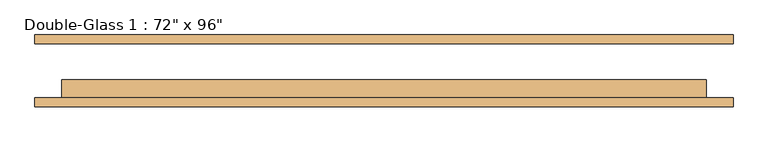
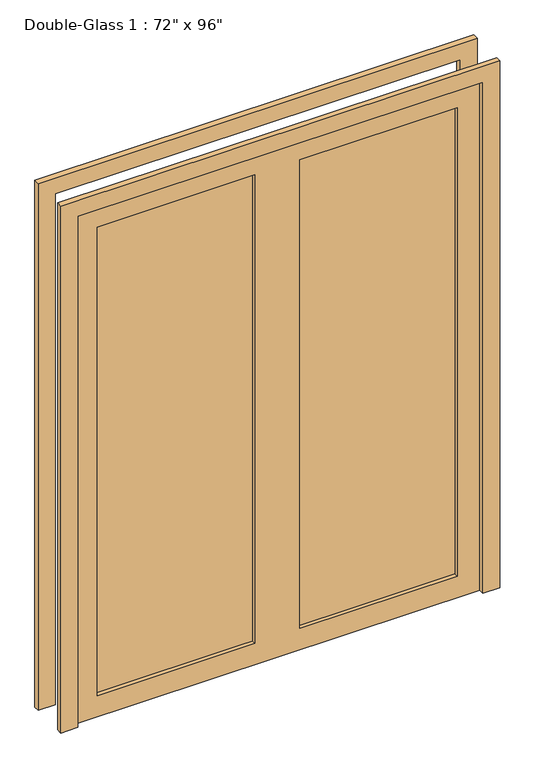
"""IFC4 building model written with IfcOpenShell, lengths in millimetres: door geometry."""

from ifc_helpers import new_model, si_unit, frame, origin, place, context, project, spatial, polyline, outline, extrude, source, transform, mapped, element, save


def door_bf5d96d2(model_context):
    return source(origin(), model_context, "Body", "SweptSolid", [
        extrude(outline(polyline([(0.0, 990.6), (2514.6, 990.6), (2514.6, -990.6), (0.0, -990.6), (0.0, -914.4), (2438.4, -914.4), (2438.4, 914.4), (0.0, 914.4), (0.0, 990.6)])), frame((0.0, 73.81875, 0.0), z_axis=(0.0, 1.0, 0.0), x_axis=(0.0, 0.0, 1.0)), (0.0, 0.0, 1.0), 25.4),
        extrude(outline(polyline([(2438.4, 914.4), (0.0, 914.4), (0.0, 990.6), (2514.6, 990.6), (2514.6, -990.6), (0.0, -990.6), (0.0, -914.4), (2438.4, -914.4), (2438.4, 914.4)])), frame((0.0, -103.98125, 0.0), z_axis=(0.0, 1.0, 0.0), x_axis=(0.0, 0.0, 1.0)), (0.0, 0.0, 1.0), 25.4),
        extrude(outline(polyline([(812.8, -53.18125), (812.8, -60.325), (101.6, -60.325), (101.6, -53.18125), (812.8, -53.18125)])), frame((0.0, 0.0, 101.6), z_axis=(0.0, 0.0, 1.0), x_axis=(1.0, 0.0, 0.0)), (0.0, 0.0, 1.0), 2235.2),
        extrude(outline(polyline([(-101.6, -53.18125), (-101.6, -60.325), (-812.8, -60.325), (-812.8, -53.18125), (-101.6, -53.18125)])), frame((0.0, 0.0, 101.6), z_axis=(0.0, 0.0, 1.0), x_axis=(1.0, 0.0, 0.0)), (0.0, 0.0, 1.0), 2235.2),
        extrude(outline(polyline([(2438.4, 914.4), (2438.4, -914.4), (0.0, -914.4), (0.0, 914.4), (2438.4, 914.4)]), holes=[polyline([(2336.8, -101.6), (101.6, -101.6), (101.6, -812.8), (2336.8, -812.8), (2336.8, -101.6)]), polyline([(2336.8, 812.8), (101.6, 812.8), (101.6, 101.6), (2336.8, 101.6), (2336.8, 812.8)])]), frame((0.0, -78.58125, 0.0), z_axis=(0.0, 1.0, 0.0), x_axis=(0.0, 0.0, 1.0)), (0.0, 0.0, 1.0), 50.8),
    ])


if __name__ == "__main__":
    model = new_model("IFC4")
    model_context = context("Model", 3, world=origin())
    ifc_project = project(units=[si_unit("LENGTHUNIT", "METRE", prefix="MILLI")], contexts=[model_context])
    site = spatial("IfcSite", under=ifc_project)
    building = spatial("IfcBuilding", under=site)
    placement = place(None, origin())
    door_shape = door_bf5d96d2(model_context)
    element("IfcDoor", 1, ObjectType="Double-Glass 1 : 72\" x 96\"", at=placement, inside=building, context=model_context, shape_type="MappedRepresentation", body=[
        mapped(door_shape, transform((0.0, 0.0, 0.0), x_axis=(1.0, 0.0, 0.0), y_axis=(0.0, 1.0, 0.0), z_axis=(0.0, 0.0, 1.0))),
    ])
    save(model, "model.ifc")
